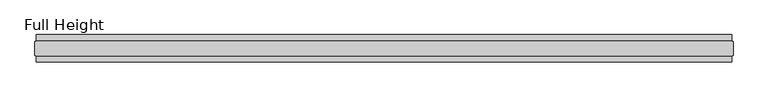
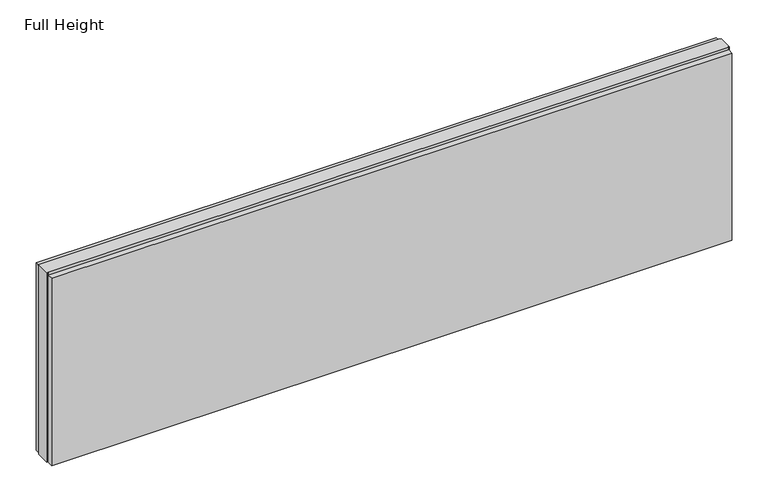
"""IFC4 building model written with IfcOpenShell, lengths in millimetres: plate geometry, Full Height."""

from ifc_helpers import new_model, si_unit, origin, origin_with_axes, place, context, project, spatial, polyline, outline, extrude, source, transform, mapped, element, save


def full_height_21c78cce(model_context):
    return source(origin(), model_context, "Body", "SweptSolid", [
        extrude(outline(polyline([(1254.3167157, 28.956), (-1254.3167157, 28.956), (-1254.3167157, 49.53), (1254.3167157, 49.53), (1254.3167157, 28.956)])), origin_with_axes(), (0.0, 0.0, 1.0), 729.996),
        extrude(outline(polyline([(1254.3167157, -28.956), (1254.3167157, -49.53), (-1254.3167157, -49.53), (-1254.3167157, -28.956), (1254.3167157, -28.956)])), origin_with_axes(), (0.0, 0.0, 1.0), 729.996),
        extrude(outline(polyline([(1254.3167157, -25.146), (1254.3167157, -26.67), (-1254.3167157, -26.67), (-1254.3167157, -25.146), (-1258.8887157, -25.146), (-1258.8887157, 25.146), (-1254.3167157, 25.146), (-1254.3167157, 26.67), (1254.3167157, 26.67), (1254.3167157, 25.146), (1258.8887157, 25.146), (1258.8887157, -25.146), (1254.3167157, -25.146)])), origin_with_axes(), (0.0, 0.0, 1.0), 739.14),
    ])


if __name__ == "__main__":
    model = new_model("IFC4")
    model_context = context("Model", 3, world=origin())
    ifc_project = project(units=[si_unit("LENGTHUNIT", "METRE", prefix="MILLI")], contexts=[model_context])
    site = spatial("IfcSite", under=ifc_project)
    building = spatial("IfcBuilding", under=site)
    placement = place(None, origin())
    full_height_shape = full_height_21c78cce(model_context)
    element("IfcPlate", 1, ObjectType="Full Height", at=placement, inside=building, context=model_context, shape_type="MappedRepresentation", body=[
        mapped(full_height_shape, transform((0.0, 0.0, 0.0), x_axis=(1.0, 0.0, 0.0), y_axis=(0.0, 1.0, 0.0), z_axis=(0.0, 0.0, 1.0))),
    ])
    save(model, "model.ifc")
